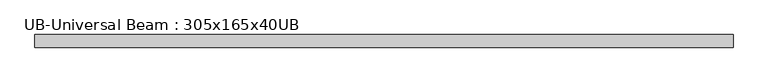
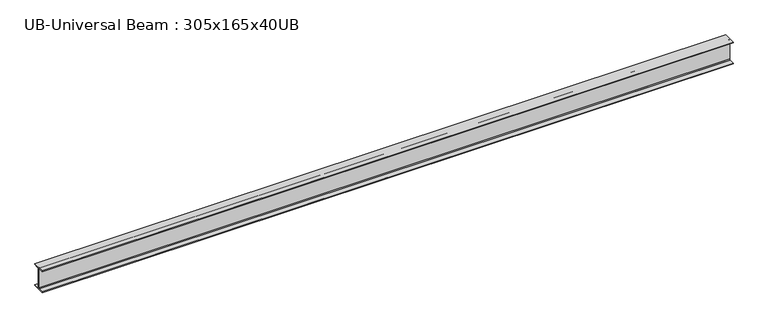
"""IFC4 building model written with IfcOpenShell, lengths in millimetres: beam geometry, UB-Universal Beam : 305x165x40UB."""

from ifc_helpers import new_model, si_unit, point, frame, frame_2d, origin, place, context, project, spatial, polyline, circle_curve, trimmed, segment, composite_curve, outline, extrude, source, transform, mapped, element, save


def ub_universal_beam_305x165x40ub_db7fef0e(model_context):
    return source(origin(), model_context, "Body", "SweptSolid", [
        extrude(outline(composite_curve([segment(polyline([(82.5, -141.5), (82.5, -151.7), (-82.5, -151.7), (-82.5, -141.5), (-11.9, -141.5)]), True, "CONTINUOUS"), segment(trimmed(circle_curve(frame_2d((-11.9, -132.6)), 8.9), [point((-11.9, -141.5))], [point((-3.0, -132.6))], True, "CARTESIAN"), True, "CONTINUOUS"), segment(polyline([(-3.0, -132.6), (-3.0, 132.6)]), True, "CONTINUOUS"), segment(trimmed(circle_curve(frame_2d((-11.9, 132.6)), 8.9), [point((-3.0, 132.6))], [point((-11.9, 141.5))], True, "CARTESIAN"), True, "CONTINUOUS"), segment(polyline([(-11.9, 141.5), (-82.5, 141.5), (-82.5, 151.7), (82.5, 151.7), (82.5, 141.5), (11.9, 141.5)]), True, "CONTINUOUS"), segment(trimmed(circle_curve(frame_2d((11.9, 132.6)), 8.9), [point((11.9, 141.5))], [point((3.0, 132.6))], True, "CARTESIAN"), True, "CONTINUOUS"), segment(polyline([(3.0, 132.6), (3.0, -132.6)]), True, "CONTINUOUS"), segment(trimmed(circle_curve(frame_2d((11.9, -132.6)), 8.9), [point((3.0, -132.6))], [point((11.9, -141.5))], True, "CARTESIAN"), True, "CONTINUOUS"), segment(polyline([(11.9, -141.5), (82.5, -141.5)]), True, "CONTINUOUS")], self_intersect=False)), frame((-4557.539383, 0.0, 0.0), z_axis=(1.0, 0.0, 0.0), x_axis=(0.0, 1.0, 0.0)), (0.0, 0.0, 1.0), 9122.6273786),
    ])


if __name__ == "__main__":
    model = new_model("IFC4")
    model_context = context("Model", 3, world=origin())
    ifc_project = project(units=[si_unit("LENGTHUNIT", "METRE", prefix="MILLI")], contexts=[model_context])
    site = spatial("IfcSite", under=ifc_project)
    building = spatial("IfcBuilding", under=site)
    placement = place(None, origin())
    ub_universal_beam_305x165x40ub_shape = ub_universal_beam_305x165x40ub_db7fef0e(model_context)
    element("IfcBeam", 1, ObjectType="UB-Universal Beam : 305x165x40UB", at=placement, inside=building, context=model_context, shape_type="MappedRepresentation", body=[
        mapped(ub_universal_beam_305x165x40ub_shape, transform((0.0, 0.0, 0.0), x_axis=(1.0, 0.0, 0.0), y_axis=(0.0, 1.0, 0.0), z_axis=(0.0, 0.0, 1.0))),
    ])
    save(model, "model.ifc")
